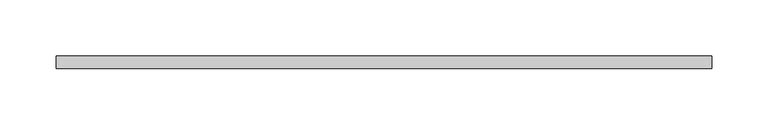
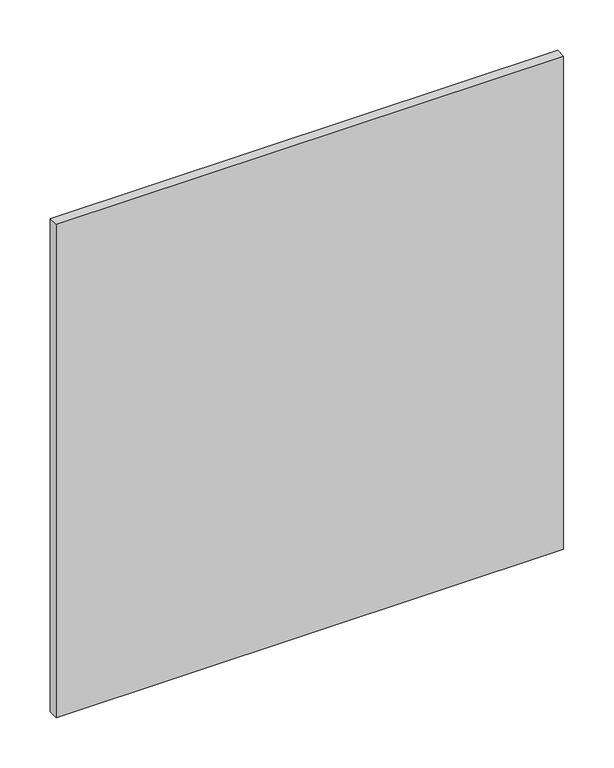
"""IFC4 building model written with IfcOpenShell, lengths in millimetres: proxy geometry."""

import ifcopenshell
import ifcopenshell.guid

model = None  # the IFC model being written
_history = None  # IfcOwnerHistory: only IFC2X3 demands one
_inside = {}  # id of a spatial element -> (the spatial element, [elements in it])
_under = {}  # id of a project, library or spatial element -> (it, [spatial elements below it])
_declared = {}  # id of a project -> (the project, [libraries it declares])
_typed = {}  # id of a type object -> (the type object, [elements of that type])
_made_of = {}  # id of a material, layer set ... -> (it, [elements and type objects made of it])


def new_model(schema):
    """Start an empty IFC model of exactly this schema.

    Asked for "IFC4X3", IfcOpenShell would pick the latest addendum, in which some entities
    have other attributes; the version numbers below select the first issue.
    IFC2X3 requires an IfcOwnerHistory on every rooted entity: one is made here for all.
    """
    global model, _history
    if schema == "IFC4X3":
        model = ifcopenshell.file(schema_version=(4, 3, 0, 0))
    else:
        model = ifcopenshell.file(schema=schema)
    _inside.clear()
    _under.clear()
    _declared.clear()
    _typed.clear()
    _made_of.clear()
    _history = None
    if model.schema == "IFC2X3":
        org = make("IfcOrganization", Name="unknown")
        user = make(
            "IfcPersonAndOrganization",
            ThePerson=make("IfcPerson", FamilyName="unknown"),
            TheOrganization=org,
        )
        app = make(
            "IfcApplication",
            ApplicationDeveloper=org,
            Version="unknown",
            ApplicationFullName="unknown",
            ApplicationIdentifier="unknown",
        )
        _history = make(
            "IfcOwnerHistory",
            OwningUser=user,
            OwningApplication=app,
            ChangeAction="ADDED",
            CreationDate=0,
        )
    return model


def make(cls, **values):
    """One entity of the class cls with the attributes given. An attribute that is None is left unset."""
    return model.create_entity(
        cls, **{name: value for name, value in values.items() if value is not None}
    )


def rooted(cls, **values):
    """An entity with a GlobalId (a new one), such as an element, a storey or a relation."""
    return make(cls, GlobalId=ifcopenshell.guid.new(), OwnerHistory=_history, **values)


def si_unit(unit_type, name, prefix=None):
    """IfcSIUnit, for example si_unit("LENGTHUNIT", "METRE", prefix="MILLI")."""
    return make("IfcSIUnit", UnitType=unit_type, Prefix=prefix, Name=name)


def assignment(units):
    """IfcUnitAssignment: the units of a project."""
    return None if units is None else make("IfcUnitAssignment", Units=units)


def point(xyz):
    """IfcCartesianPoint."""
    return None if xyz is None else make("IfcCartesianPoint", Coordinates=xyz)


def direction(xyz):
    """IfcDirection."""
    return None if xyz is None else make("IfcDirection", DirectionRatios=xyz)


def frame(location, z_axis=None, x_axis=None):
    """IfcAxis2Placement3D, a coordinate frame: its origin and axes. An axis left out is left unset."""
    return make(
        "IfcAxis2Placement3D",
        Location=point(location),
        Axis=direction(z_axis),
        RefDirection=direction(x_axis),
    )


def origin():
    """The frame at (0, 0, 0) with its axes left unset."""
    return frame((0.0, 0.0, 0.0))


def origin_with_axes():
    """The frame at (0, 0, 0) with the z axis (0, 0, 1) and the x axis (1, 0, 0) written out."""
    return frame((0.0, 0.0, 0.0), z_axis=(0.0, 0.0, 1.0), x_axis=(1.0, 0.0, 0.0))


def place(relative_to, where):
    """IfcLocalPlacement: puts the frame where relative to a parent placement (None: the world)."""
    return make(
        "IfcLocalPlacement", PlacementRelTo=relative_to, RelativePlacement=where
    )


def context(
    kind, dimensions, precision=None, world=None, true_north=None, identifier=None
):
    """IfcGeometricRepresentationContext, for example the 3D "Model" context."""
    return make(
        "IfcGeometricRepresentationContext",
        ContextIdentifier=identifier,
        ContextType=kind,
        CoordinateSpaceDimension=dimensions,
        Precision=precision,
        WorldCoordinateSystem=world,
        TrueNorth=true_north,
    )


def project(units=None, contexts=None):
    """IfcProject with its units and contexts."""
    return rooted(
        "IfcProject",
        Name="project",
        RepresentationContexts=contexts,
        UnitsInContext=assignment(units),
    )


def spatial(cls, under=None, at=None, **own):
    """A site, building, storey or space (cls), placed at a placement, below another one or the project."""
    s = rooted(cls, ObjectPlacement=at, **own)
    if under is not None:
        _under.setdefault(under.id(), (under, []))[1].append(s)
    return s


def polyline(points):
    """IfcPolyline through the points."""
    return make("IfcPolyline", Points=[point(p) for p in points])


def outline(outer, holes=None, kind="AREA"):
    """IfcArbitraryClosedProfileDef: a profile drawn as a closed curve; with holes, ...WithVoids."""
    if holes is None:
        return make("IfcArbitraryClosedProfileDef", ProfileType=kind, OuterCurve=outer)
    return make(
        "IfcArbitraryProfileDefWithVoids",
        ProfileType=kind,
        OuterCurve=outer,
        InnerCurves=holes,
    )


def extrude(swept, where, along, depth):
    """IfcExtrudedAreaSolid: the profile swept, set in the frame where, extruded along a direction by depth."""
    return make(
        "IfcExtrudedAreaSolid",
        SweptArea=swept,
        Position=where,
        ExtrudedDirection=direction(along),
        Depth=depth,
    )


def shape(context_of_items, identifier, shape_type, items):
    """IfcShapeRepresentation: the items that make up one representation, for example the "Body"."""
    return make(
        "IfcShapeRepresentation",
        ContextOfItems=context_of_items,
        RepresentationIdentifier=identifier,
        RepresentationType=shape_type,
        Items=items,
    )


def source(mapping_origin, context_of_items, identifier, shape_type, items):
    """IfcRepresentationMap: a shape defined once, which mapped items show again and again."""
    return make(
        "IfcRepresentationMap",
        MappingOrigin=mapping_origin,
        MappedRepresentation=shape(context_of_items, identifier, shape_type, items),
    )


def transform(
    local_origin,
    x_axis=None,
    y_axis=None,
    z_axis=None,
    scale=None,
    scale2=None,
    scale3=None,
    uniform=True,
):
    """IfcCartesianTransformationOperator3D, or its non-uniform kind. x_axis, y_axis, z_axis: its Axis1, 2, 3."""
    if uniform:
        return make(
            "IfcCartesianTransformationOperator3D",
            Axis1=direction(x_axis),
            Axis2=direction(y_axis),
            LocalOrigin=point(local_origin),
            Scale=scale,
            Axis3=direction(z_axis),
        )
    return make(
        "IfcCartesianTransformationOperator3DnonUniform",
        Axis1=direction(x_axis),
        Axis2=direction(y_axis),
        LocalOrigin=point(local_origin),
        Scale=scale,
        Axis3=direction(z_axis),
        Scale2=scale2,
        Scale3=scale3,
    )


def mapped(mapping_source, mapping_target):
    """IfcMappedItem: shows the shape of a source again, moved by a transform."""
    return make(
        "IfcMappedItem", MappingSource=mapping_source, MappingTarget=mapping_target
    )


def made_of(thing, what):
    """Note that an element or type object is made of a material, layer set ...; save() writes the relation."""
    if what is not None:
        _made_of.setdefault(what.id(), (what, []))[1].append(thing)
    return thing


def element(
    cls,
    number,
    at=None,
    inside=None,
    cuts=None,
    type_object=None,
    material=None,
    context=None,
    identifier="Body",
    shape_type=None,
    held_by="IfcProductDefinitionShape",
    body=None,
    shapes=None,
    **own,
):
    """One element of the class cls, such as IfcWall. Its Tag is "e" and its number.

    at: its placement. inside: the storey or other place that contains it. cuts: it is an
    opening in that element (IfcRelVoidsElement). A single representation is given by context,
    identifier, shape_type and body (its items); several are given by shapes. held_by: the class
    of the entity that holds the representations. save() writes the other relations.
    """
    e = rooted(cls, Tag="e%d" % number, ObjectPlacement=at, **own)
    if body is not None:
        shapes = [shape(context, identifier, shape_type, body)]
    if shapes is not None:
        e.Representation = make(held_by, Representations=shapes)
    if inside is not None:
        _inside.setdefault(inside.id(), (inside, []))[1].append(e)
    if cuts is not None:
        rooted(
            "IfcRelVoidsElement", RelatingBuildingElement=cuts, RelatedOpeningElement=e
        )
    if type_object is not None:
        _typed.setdefault(type_object.id(), (type_object, []))[1].append(e)
    return made_of(e, material)


def aggregate(whole, parts):
    """IfcRelAggregates: a whole, such as a stair, and the parts it consists of."""
    return rooted("IfcRelAggregates", RelatingObject=whole, RelatedObjects=parts)


def save(model, path):
    """Write the relations noted so far, then the file.

    IfcRelAggregates (storeys below a building ...), IfcRelContainedInSpatialStructure (elements
    in a storey), IfcRelDefinesByType, IfcRelAssociatesMaterial and IfcRelDeclares: one each for
    every whole, place, type object, material and project.
    """
    for whole, parts in _under.values():
        aggregate(whole, parts)
    for where, things in _inside.values():
        rooted(
            "IfcRelContainedInSpatialStructure",
            RelatedElements=things,
            RelatingStructure=where,
        )
    for kind, things in _typed.values():
        rooted("IfcRelDefinesByType", RelatedObjects=things, RelatingType=kind)
    for what, things in _made_of.values():
        rooted("IfcRelAssociatesMaterial", RelatedObjects=things, RelatingMaterial=what)
    for by, libraries in _declared.values():
        rooted("IfcRelDeclares", RelatingContext=by, RelatedDefinitions=libraries)
    model.write(path)


def entourage_14dd90f5(model_context):
    return source(origin(), model_context, "Body", "SweptSolid", [
        extrude(outline(polyline([(507.8015625, 3.175), (507.8015625, -7.9375), (-73.025, -7.9375), (-73.025, 3.175), (507.8015625, 3.175)])), origin_with_axes(), (0.0, 0.0, 1.0), 596.7015625),
    ])


if __name__ == "__main__":
    model = new_model("IFC4")
    model_context = context("Model", 3, world=origin())
    ifc_project = project(units=[si_unit("LENGTHUNIT", "METRE", prefix="MILLI")], contexts=[model_context])
    site = spatial("IfcSite", under=ifc_project)
    building = spatial("IfcBuilding", under=site)
    placement = place(None, origin())
    entourage_shape = entourage_14dd90f5(model_context)
    element("IfcBuildingElementProxy", 1, Name="Entourage", at=placement, inside=building, context=model_context, shape_type="MappedRepresentation", body=[
        mapped(entourage_shape, transform((0.0, 0.0, 0.0), x_axis=(1.0, 0.0, 0.0), y_axis=(0.0, 1.0, 0.0), z_axis=(0.0, 0.0, 1.0))),
    ])
    save(model, "model.ifc")
